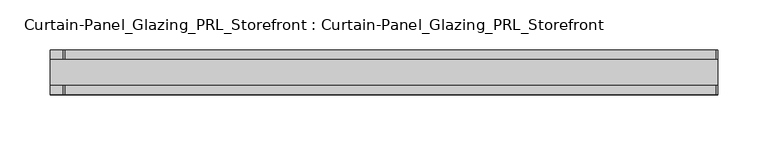
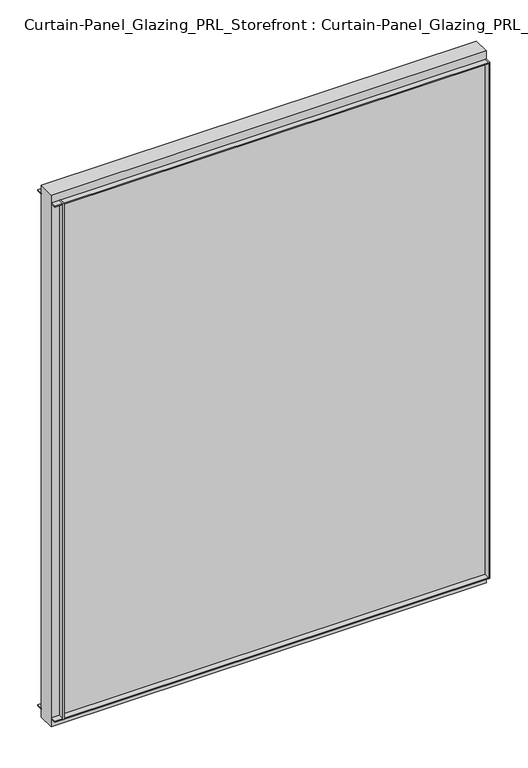
"""IFC4 building model written with IfcOpenShell, lengths in millimetres: plate geometry, Curtain-Panel_Glazing_PRL_Storefront : Curtain-Panel_Glazing_PRL_Storefront."""

from ifc_helpers import new_model, si_unit, frame, origin, origin_with_axes, place, context, project, spatial, polyline, outline, extrude, source, transform, mapped, element, save


def curtain_panel_glazing_prl_storefront_curtain_panel_glazing_149cd931(model_context):
    return source(origin(), model_context, "Body", "SweptSolid", [
        extrude(outline(polyline([(269.875, 22.225), (269.875, 12.7), (268.2875, 12.7), (268.2875, 22.225), (269.875, 22.225)])), frame((0.0, 0.0, 12.7), z_axis=(0.0, 0.0, 1.0), x_axis=(1.0, 0.0, 0.0)), (0.0, 0.0, 1.0), 831.85),
        extrude(outline(polyline([(269.875, -22.225), (268.2875, -22.225), (268.2875, -12.7), (269.875, -12.7), (269.875, -22.225)])), frame((0.0, 0.0, 12.7), z_axis=(0.0, 0.0, 1.0), x_axis=(1.0, 0.0, 0.0)), (0.0, 0.0, 1.0), 831.85),
        extrude(outline(polyline([(-381.0, 22.225), (-379.4125, 22.225), (-379.4125, 12.7), (-381.0, 12.7), (-381.0, 22.225)])), frame((0.0, 0.0, 12.7), z_axis=(0.0, 0.0, 1.0), x_axis=(1.0, 0.0, 0.0)), (0.0, 0.0, 1.0), 831.85),
        extrude(outline(polyline([(-381.0, -22.225), (-381.0, -12.7), (-379.4125, -12.7), (-379.4125, -22.225), (-381.0, -22.225)])), frame((0.0, 0.0, 12.7), z_axis=(0.0, 0.0, 1.0), x_axis=(1.0, 0.0, 0.0)), (0.0, 0.0, 1.0), 831.85),
        extrude(outline(polyline([(269.875, -12.7), (-393.7, -12.7), (-393.7, 12.7), (269.875, 12.7), (269.875, -12.7)])), origin_with_axes(), (0.0, 0.0, 1.0), 857.25),
        extrude(outline(polyline([(-393.7, 22.225), (269.875, 22.225), (269.875, 12.7), (-393.7, 12.7), (-393.7, 22.225)])), frame((0.0, 0.0, 842.9625), z_axis=(0.0, 0.0, 1.0), x_axis=(1.0, 0.0, 0.0)), (0.0, 0.0, 1.0), 1.5875),
        extrude(outline(polyline([(-393.7, -22.225), (-393.7, -12.7), (269.875, -12.7), (269.875, -22.225), (-393.7, -22.225)])), frame((0.0, 0.0, 842.9625), z_axis=(0.0, 0.0, 1.0), x_axis=(1.0, 0.0, 0.0)), (0.0, 0.0, 1.0), 1.5875),
        extrude(outline(polyline([(-393.7, 22.225), (269.875, 22.225), (269.875, 12.7), (-393.7, 12.7), (-393.7, 22.225)])), frame((0.0, 0.0, 12.7), z_axis=(0.0, 0.0, 1.0), x_axis=(1.0, 0.0, 0.0)), (0.0, 0.0, 1.0), 1.5875),
        extrude(outline(polyline([(-393.7, -22.225), (-393.7, -12.7), (269.875, -12.7), (269.875, -22.225), (-393.7, -22.225)])), frame((0.0, 0.0, 12.7), z_axis=(0.0, 0.0, 1.0), x_axis=(1.0, 0.0, 0.0)), (0.0, 0.0, 1.0), 1.5875),
    ])


if __name__ == "__main__":
    model = new_model("IFC4")
    model_context = context("Model", 3, world=origin())
    ifc_project = project(units=[si_unit("LENGTHUNIT", "METRE", prefix="MILLI")], contexts=[model_context])
    site = spatial("IfcSite", under=ifc_project)
    building = spatial("IfcBuilding", under=site)
    placement = place(None, origin())
    curtain_panel_glazing_prl_storefront_curtain_panel_glazing_shape = curtain_panel_glazing_prl_storefront_curtain_panel_glazing_149cd931(model_context)
    element("IfcPlate", 1, ObjectType="Curtain-Panel_Glazing_PRL_Storefront : Curtain-Panel_Glazing_PRL_Storefront", at=placement, inside=building, context=model_context, shape_type="MappedRepresentation", body=[
        mapped(curtain_panel_glazing_prl_storefront_curtain_panel_glazing_shape, transform((0.0, 0.0, 0.0), x_axis=(1.0, 0.0, 0.0), y_axis=(0.0, 1.0, 0.0), z_axis=(0.0, 0.0, 1.0))),
    ])
    save(model, "model.ifc")
